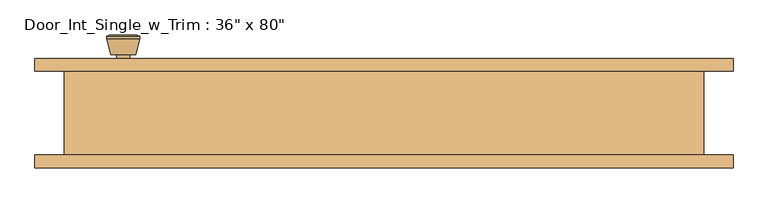
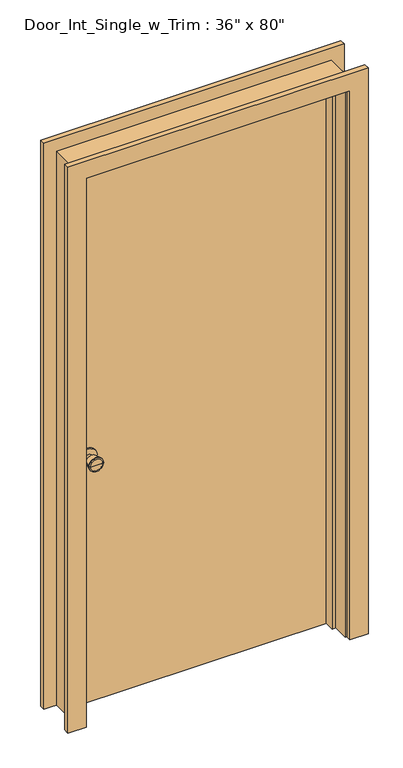
"""IFC4 building model written with IfcOpenShell, lengths in millimetres: door geometry."""

from ifc_helpers import new_model, si_unit, point, frame, frame_2d, origin, origin_with_axes, place, context, project, spatial, polyline, circle_curve, trimmed, segment, composite_curve, outline, extrude, faceted_brep, source, transform, mapped, element, save
from ifc_brep_helpers import plane_surface, cylinder_surface, revolved_surface, advanced_brep


def door_9e1c8625(model_context):
    return source(origin(), model_context, "Body", "SolidModel", [
        advanced_brep(
        [(-393.7, 19.4, 914.4), (-383.7, 19.4, 914.4), (-403.7, 19.4, 914.4), (-373.2241324, -29.6, 914.4), (-393.7, -29.6, 914.4), (-414.1758676, -29.6, 914.4), (-368.7, -27.7721319, 914.4), (-418.7, -27.7721319, 914.4), (-368.7, -24.3084537, 914.4), (-418.7, -24.3084537, 914.4), (-375.063764, 0.4, 914.4), (-412.336236, 0.4, 914.4), (-383.7, 0.4, 914.4), (-403.7, 0.4, 914.4)],
        [
            (0, 1),
            (1, 2, circle_curve(frame((-393.7, 19.4, 914.4), z_axis=(0.0, 1.0, 0.0), x_axis=(-1.0, 0.0, 0.0)), 10.0)),
            (2, 0),
            (2, 1, circle_curve(frame((-393.7, 19.4, 914.4), z_axis=(0.0, 1.0, 0.0), x_axis=(-1.0, 0.0, 0.0)), 10.0)),
            (3, 4),
            (4, 5),
            (5, 3, circle_curve(frame((-393.7, -29.6, 914.4), z_axis=(0.0, -1.0, 0.0), x_axis=(-1.0, 0.0, 0.0)), 20.4758676)),
            (3, 5, circle_curve(frame((-393.7, -29.6, 914.4), z_axis=(0.0, -1.0, 0.0), x_axis=(-1.0, 0.0, 0.0)), 20.4758676)),
            (6, 3),
            (5, 7),
            (7, 6, circle_curve(frame((-393.7, -27.7721319, 914.4), z_axis=(0.0, -1.0, 0.0), x_axis=(-1.0, 0.0, 0.0)), 25.0)),
            (6, 7, circle_curve(frame((-393.7, -27.7721319, 914.4), z_axis=(0.0, -1.0, 0.0), x_axis=(-1.0, 0.0, 0.0)), 25.0)),
            (8, 6),
            (7, 9),
            (9, 8, circle_curve(frame((-393.7, -24.3084537, 914.4), z_axis=(0.0, -1.0, 0.0), x_axis=(-1.0, 0.0, 0.0)), 25.0)),
            (8, 9, circle_curve(frame((-393.7, -24.3084537, 914.4), z_axis=(0.0, -1.0, 0.0), x_axis=(-1.0, 0.0, 0.0)), 25.0)),
            (10, 8),
            (9, 11),
            (11, 10, circle_curve(frame((-393.7, 0.4, 914.4), z_axis=(0.0, -1.0, 0.0), x_axis=(-1.0, 0.0, 0.0)), 18.636236)),
            (10, 11, circle_curve(frame((-393.7, 0.4, 914.4), z_axis=(0.0, -1.0, 0.0), x_axis=(-1.0, 0.0, 0.0)), 18.636236)),
            (12, 10),
            (11, 13),
            (13, 12, circle_curve(frame((-393.7, 0.4, 914.4), z_axis=(0.0, -1.0, 0.0), x_axis=(-1.0, 0.0, 0.0)), 10.0)),
            (12, 13, circle_curve(frame((-393.7, 0.4, 914.4), z_axis=(0.0, -1.0, 0.0), x_axis=(-1.0, 0.0, 0.0)), 10.0)),
            (1, 12),
            (13, 2),
        ],
        [
            plane_surface(frame((-393.7, 19.4, 914.4), z_axis=(0.0, 1.0, 0.0), x_axis=(-1.0, 0.0, 0.0))),
            plane_surface(frame((-393.7, -29.6, 914.4), z_axis=(0.0, -1.0, 0.0), x_axis=(-1.0, 0.0, 0.0))),
            revolved_surface(polyline([(-414.1758676, -29.6, 914.4), (-418.7, -27.7721319, 914.4)]), (-393.7, 19.4, 914.4), (0.0, 1.0, 0.0)),
            cylinder_surface(frame((-393.7, 19.4, 914.4), z_axis=(0.0, 1.0, 0.0), x_axis=(-1.0, 0.0, 0.0)), 25.0),
            revolved_surface(polyline([(-418.7, -24.3084537, 914.4), (-412.336236, 0.4, 914.4)]), (-393.7, 19.4, 914.4), (0.0, 1.0, 0.0)),
            plane_surface(frame((-393.7, 0.4, 914.4), z_axis=(0.0, 1.0, 0.0), x_axis=(-1.0, 0.0, 0.0))),
            cylinder_surface(frame((-393.7, 19.4, 914.4), z_axis=(0.0, 1.0, 0.0), x_axis=(-1.0, 0.0, 0.0)), 10.0),
        ],
        [
            (0, [[1, 2, 3]]),
            (0, [[-3, 4, -1]]),
            (1, [[5, 6, 7]]),
            (1, [[-6, -5, 8]]),
            (2, [[9, -7, 10, 11]]),
            (2, [[-10, -8, -9, 12]]),
            (3, [[13, -11, 14, 15]]),
            (3, [[-14, -12, -13, 16]]),
            (4, [[17, -15, 18, 19]]),
            (4, [[-18, -16, -17, 20]]),
            (5, [[21, -19, 22, 23]]),
            (5, [[-22, -20, -21, 24]]),
            (6, [[25, -23, 26, -2]]),
            (6, [[-26, -24, -25, -4]]),
        ],
    ),
        extrude(outline(composite_curve([segment(trimmed(circle_curve(frame_2d((914.4, -393.7)), 30.0), [point((914.4, -423.7))], [point((914.4, -363.7))], False, "CARTESIAN"), True, "CONTINUOUS"), segment(trimmed(circle_curve(frame_2d((914.4, -393.7)), 30.0), [point((914.4, -363.7))], [point((914.4, -423.7))], False, "CARTESIAN"), True, "CONTINUOUS")], self_intersect=False)), frame((0.0, 19.4, 0.0), z_axis=(0.0, 1.0, 0.0), x_axis=(0.0, 0.0, 1.0)), (0.0, 0.0, 1.0), 6.0),
        advanced_brep(
        [(-393.7, 66.325, 914.4), (-403.7, 66.325, 914.4), (-383.7, 66.325, 914.4), (-373.2241324, 115.325, 914.4), (-414.1758676, 115.325, 914.4), (-393.7, 115.325, 914.4), (-368.7, 113.4971319, 914.4), (-418.7, 113.4971319, 914.4), (-368.7, 110.0334537, 914.4), (-418.7, 110.0334537, 914.4), (-375.063764, 85.325, 914.4), (-412.336236, 85.325, 914.4), (-383.7, 85.325, 914.4), (-403.7, 85.325, 914.4)],
        [
            (0, 1),
            (1, 2, circle_curve(frame((-393.7, 66.325, 914.4), z_axis=(0.0, -1.0, 0.0), x_axis=(-1.0, 0.0, 0.0)), 10.0)),
            (2, 0),
            (2, 1, circle_curve(frame((-393.7, 66.325, 914.4), z_axis=(0.0, -1.0, 0.0), x_axis=(-1.0, 0.0, 0.0)), 10.0)),
            (3, 4, circle_curve(frame((-393.7, 115.325, 914.4), z_axis=(0.0, 1.0, 0.0), x_axis=(-1.0, 0.0, 0.0)), 20.4758676)),
            (4, 5),
            (5, 3),
            (4, 3, circle_curve(frame((-393.7, 115.325, 914.4), z_axis=(0.0, 1.0, 0.0), x_axis=(-1.0, 0.0, 0.0)), 20.4758676)),
            (6, 7, circle_curve(frame((-393.7, 113.4971319, 914.4), z_axis=(0.0, 1.0, 0.0), x_axis=(-1.0, 0.0, 0.0)), 25.0)),
            (7, 4),
            (3, 6),
            (7, 6, circle_curve(frame((-393.7, 113.4971319, 914.4), z_axis=(0.0, 1.0, 0.0), x_axis=(-1.0, 0.0, 0.0)), 25.0)),
            (8, 9, circle_curve(frame((-393.7, 110.0334537, 914.4), z_axis=(0.0, 1.0, 0.0), x_axis=(-1.0, 0.0, 0.0)), 25.0)),
            (9, 7),
            (6, 8),
            (9, 8, circle_curve(frame((-393.7, 110.0334537, 914.4), z_axis=(0.0, 1.0, 0.0), x_axis=(-1.0, 0.0, 0.0)), 25.0)),
            (10, 11, circle_curve(frame((-393.7, 85.325, 914.4), z_axis=(0.0, 1.0, 0.0), x_axis=(-1.0, 0.0, 0.0)), 18.636236)),
            (11, 9),
            (8, 10),
            (11, 10, circle_curve(frame((-393.7, 85.325, 914.4), z_axis=(0.0, 1.0, 0.0), x_axis=(-1.0, 0.0, 0.0)), 18.636236)),
            (12, 13, circle_curve(frame((-393.7, 85.325, 914.4), z_axis=(0.0, 1.0, 0.0), x_axis=(-1.0, 0.0, 0.0)), 10.0)),
            (13, 11),
            (10, 12),
            (13, 12, circle_curve(frame((-393.7, 85.325, 914.4), z_axis=(0.0, 1.0, 0.0), x_axis=(-1.0, 0.0, 0.0)), 10.0)),
            (1, 13),
            (12, 2),
        ],
        [
            plane_surface(frame((-393.7, 66.325, 914.4), z_axis=(0.0, -1.0, 0.0), x_axis=(-1.0, 0.0, 0.0))),
            plane_surface(frame((-393.7, 115.325, 914.4), z_axis=(0.0, 1.0, 0.0), x_axis=(-1.0, 0.0, 0.0))),
            revolved_surface(polyline([(-414.1758676, 115.325, 914.4), (-418.7, 113.4971319, 914.4)]), (-393.7, 66.325, 914.4), (0.0, -1.0, 0.0)),
            cylinder_surface(frame((-393.7, 66.325, 914.4), z_axis=(0.0, -1.0, 0.0), x_axis=(-1.0, 0.0, 0.0)), 25.0),
            revolved_surface(polyline([(-418.7, 110.0334537, 914.4), (-412.336236, 85.325, 914.4)]), (-393.7, 66.325, 914.4), (0.0, -1.0, 0.0)),
            plane_surface(frame((-393.7, 85.325, 914.4), z_axis=(0.0, -1.0, 0.0), x_axis=(-1.0, 0.0, 0.0))),
            cylinder_surface(frame((-393.7, 66.325, 914.4), z_axis=(0.0, -1.0, 0.0), x_axis=(-1.0, 0.0, 0.0)), 10.0),
        ],
        [
            (0, [[1, 2, 3]]),
            (0, [[-3, 4, -1]]),
            (1, [[5, 6, 7]]),
            (1, [[8, -7, -6]]),
            (2, [[9, 10, -5, 11]]),
            (2, [[12, -11, -8, -10]]),
            (3, [[13, 14, -9, 15]]),
            (3, [[16, -15, -12, -14]]),
            (4, [[17, 18, -13, 19]]),
            (4, [[20, -19, -16, -18]]),
            (5, [[21, 22, -17, 23]]),
            (5, [[24, -23, -20, -22]]),
            (6, [[-2, 25, -21, 26]]),
            (6, [[-4, -26, -24, -25]]),
        ],
    ),
        extrude(outline(composite_curve([segment(trimmed(circle_curve(frame_2d((914.4, -393.7)), 30.0), [point((914.4, -423.7))], [point((914.4, -363.7))], False, "CARTESIAN"), True, "CONTINUOUS"), segment(trimmed(circle_curve(frame_2d((914.4, -393.7)), 30.0), [point((914.4, -363.7))], [point((914.4, -423.7))], False, "CARTESIAN"), True, "CONTINUOUS")], self_intersect=False)), frame((0.0, 60.325, 0.0), z_axis=(0.0, 1.0, 0.0), x_axis=(0.0, 0.0, 1.0)), (0.0, 0.0, 1.0), 6.0),
        faceted_brep([(482.6, 60.325, 0.0), (482.6, -66.675, 0.0), (457.2, -66.675, 0.0), (457.2, -9.525, 0.0), (444.5, -9.525, 0.0), (444.5, 25.4, 0.0), (457.2, 25.4, 0.0), (457.2, 60.325, 0.0), (482.6, 60.325, 2057.4), (482.6, -66.675, 2057.4), (-482.6, -66.675, 2057.4), (-482.6, -66.675, 0.0), (-457.2, -66.675, 0.0), (-457.2, -66.675, 2032.0), (457.2, -66.675, 2032.0), (457.2, -9.525, 2032.0), (-457.2, -9.525, 2032.0), (-457.2, -9.525, 0.0), (-444.5, -9.525, 0.0), (-444.5, -9.525, 2019.3), (444.5, -9.525, 2019.3), (444.5, 25.4, 2019.3), (-444.5, 25.4, 2019.3), (-444.5, 25.4, 0.0), (-457.2, 25.4, 0.0), (-457.2, 25.4, 2032.0), (457.2, 25.4, 2032.0), (457.2, 60.325, 2032.0), (-457.2, 60.325, 2032.0), (-457.2, 60.325, 0.0), (-482.6, 60.325, 0.0), (-482.6, 60.325, 2057.4)], [[[0, 1, 2, 3, 4, 5, 6, 7]], [[1, 0, 8, 9]], [[2, 1, 9, 10, 11, 12, 13, 14]], [[3, 2, 14, 15]], [[4, 3, 15, 16, 17, 18, 19, 20]], [[5, 4, 20, 21]], [[6, 5, 21, 22, 23, 24, 25, 26]], [[7, 6, 26, 27]], [[0, 7, 27, 28, 29, 30, 31, 8]], [[9, 8, 31, 10]], [[15, 14, 13, 16]], [[21, 20, 19, 22]], [[27, 26, 25, 28]], [[30, 29, 24, 23, 18, 17, 12, 11]], [[10, 31, 30, 11]], [[16, 13, 12, 17]], [[22, 19, 18, 23]], [[28, 25, 24, 29]]]),
        extrude(outline(polyline([(457.2, 25.4), (-457.2, 25.4), (-457.2, 60.325), (457.2, 60.325), (457.2, 25.4)])), origin_with_axes(), (0.0, 0.0, 1.0), 2032.0),
        extrude(outline(polyline([(0.0, 463.55), (0.0, 527.05), (2101.85, 527.05), (2101.85, -527.05), (0.0, -527.05), (0.0, -463.55), (2038.35, -463.55), (2038.35, 463.55), (0.0, 463.55)])), frame((0.0, 60.325, 0.0), z_axis=(0.0, 1.0, 0.0), x_axis=(0.0, 0.0, 1.0)), (0.0, 0.0, 1.0), 19.05),
        extrude(outline(polyline([(0.0, 463.55), (0.0, 527.05), (2101.85, 527.05), (2101.85, -527.05), (0.0, -527.05), (0.0, -463.55), (2038.35, -463.55), (2038.35, 463.55), (0.0, 463.55)])), frame((0.0, -85.725, 0.0), z_axis=(0.0, 1.0, 0.0), x_axis=(0.0, 0.0, 1.0)), (0.0, 0.0, 1.0), 19.05),
    ])


if __name__ == "__main__":
    model = new_model("IFC4")
    model_context = context("Model", 3, world=origin())
    ifc_project = project(units=[si_unit("LENGTHUNIT", "METRE", prefix="MILLI")], contexts=[model_context])
    site = spatial("IfcSite", under=ifc_project)
    building = spatial("IfcBuilding", under=site)
    placement = place(None, origin())
    door_shape = door_9e1c8625(model_context)
    element("IfcDoor", 1, ObjectType="Door_Int_Single_w_Trim : 36\" x 80\"", at=placement, inside=building, context=model_context, shape_type="MappedRepresentation", body=[
        mapped(door_shape, transform((0.0, 0.0, 0.0), x_axis=(1.0, 0.0, 0.0), y_axis=(0.0, 1.0, 0.0), z_axis=(0.0, 0.0, 1.0))),
    ])
    save(model, "model.ifc")
